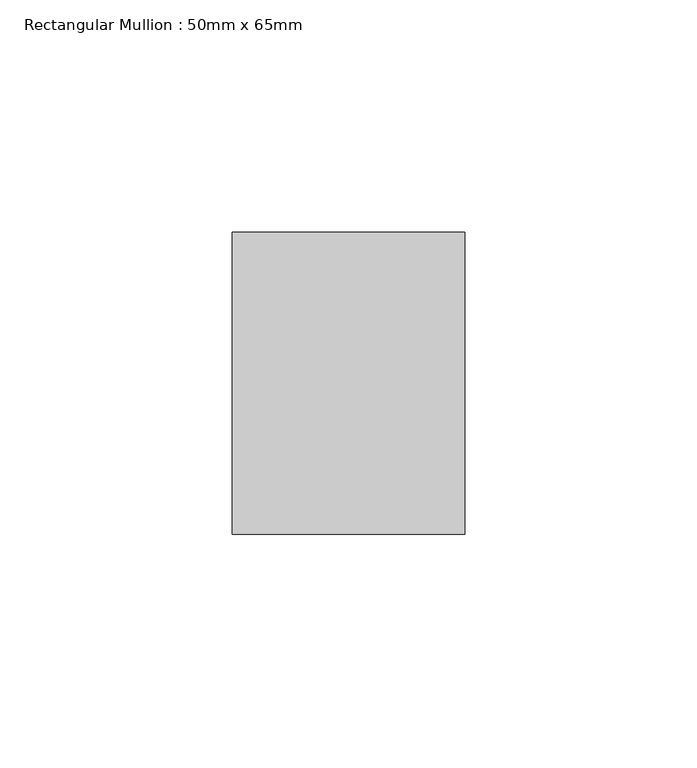
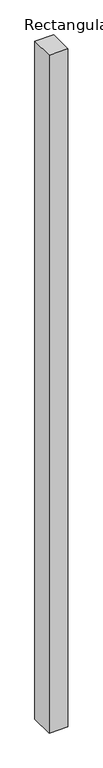
"""IFC4 building model written with IfcOpenShell, lengths in millimetres: member geometry, Rectangular Mullion : 50mm x 65mm."""

from ifc_helpers import new_model, si_unit, frame, origin, place, context, project, spatial, polyline, outline, extrude, source, transform, mapped, element, save


def rectangular_mullion_50mm_x_65mm_cb5f3b4e(model_context):
    return source(origin(), model_context, "Body", "SweptSolid", [
        extrude(outline(polyline([(25.0, 32.5), (25.0, -32.5), (-25.0, -32.5), (-25.0, 32.5), (25.0, 32.5)])), frame((0.0, 0.0, -1897.7012551), z_axis=(0.0, 0.0, 1.0), x_axis=(1.0, 0.0, 0.0)), (0.0, 0.0, 1.0), 1897.7012551),
    ])


if __name__ == "__main__":
    model = new_model("IFC4")
    model_context = context("Model", 3, world=origin())
    ifc_project = project(units=[si_unit("LENGTHUNIT", "METRE", prefix="MILLI")], contexts=[model_context])
    site = spatial("IfcSite", under=ifc_project)
    building = spatial("IfcBuilding", under=site)
    placement = place(None, origin())
    rectangular_mullion_50mm_x_65mm_shape = rectangular_mullion_50mm_x_65mm_cb5f3b4e(model_context)
    element("IfcMember", 1, ObjectType="Rectangular Mullion : 50mm x 65mm", at=placement, inside=building, context=model_context, shape_type="MappedRepresentation", body=[
        mapped(rectangular_mullion_50mm_x_65mm_shape, transform((0.0, 0.0, 0.0), x_axis=(1.0, 0.0, 0.0), y_axis=(0.0, 1.0, 0.0), z_axis=(0.0, 0.0, 1.0))),
    ])
    save(model, "model.ifc")
